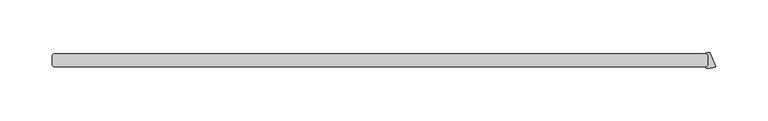
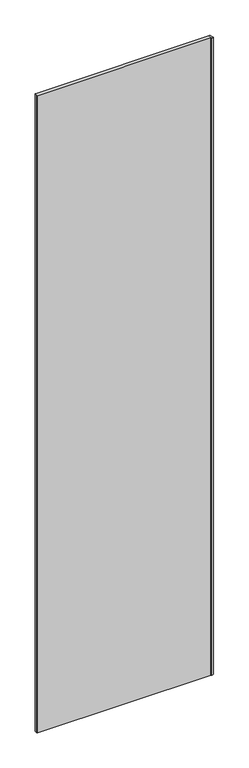
"""IFC4 building model written with IfcOpenShell, lengths in millimetres: plate geometry."""

from ifc_helpers import new_model, si_unit, point, frame_2d, origin, origin_with_axes, place, context, project, spatial, polyline, circle_curve, trimmed, segment, composite_curve, outline, extrude, source, transform, mapped, element, save


def plate_345f487e(model_context):
    return source(origin(), model_context, "Body", "SweptSolid", [
        extrude(outline(composite_curve([segment(polyline([(312.340625, 4.7625), (310.6341581, 6.4689669)]), True, "CONTINUOUS"), segment(trimmed(circle_curve(frame_2d((310.9147911, 6.7496)), 0.396875), [point((310.6341581, 6.4689669))], [point((310.9067113, 7.1463927))], False, "CARTESIAN"), True, "CONTINUOUS"), segment(trimmed(circle_curve(frame_2d((310.7393901, 15.363415)), 8.2187257), [point((310.9067113, 7.1463927))], [point((313.8845603, 7.7703026))], True, "CARTESIAN"), True, "CONTINUOUS"), segment(polyline([(313.8845603, 7.7703026), (319.731519, -6.3455045)]), True, "CONTINUOUS"), segment(trimmed(circle_curve(frame_2d((312.9692784, 9.9799885)), 17.6705863), [point((319.731519, -6.3455045))], [point((310.4862831, -7.5152781))], False, "CARTESIAN"), True, "CONTINUOUS"), segment(trimmed(circle_curve(frame_2d((310.5420503, -7.1223407)), 0.396875), [point((310.4862831, -7.5152781))], [point((310.2614173, -6.8417077))], False, "CARTESIAN"), True, "CONTINUOUS"), segment(polyline([(310.2614173, -6.8417077), (312.340625, -4.7625), (312.340625, 4.7625)]), True, "CONTINUOUS")], self_intersect=False)), origin_with_axes(), (0.0, 0.0, 1.0), 2427.1914267),
        extrude(outline(polyline([(310.753125, -6.35), (-315.515625, -6.35), (-317.103125, -4.7625), (-317.103125, 4.7625), (-315.515625, 6.35), (310.753125, 6.35), (312.340625, 4.7625), (312.340625, -4.7625), (310.753125, -6.35)])), origin_with_axes(), (0.0, 0.0, 1.0), 2427.1914267),
    ])


if __name__ == "__main__":
    model = new_model("IFC4")
    model_context = context("Model", 3, world=origin())
    ifc_project = project(units=[si_unit("LENGTHUNIT", "METRE", prefix="MILLI")], contexts=[model_context])
    site = spatial("IfcSite", under=ifc_project)
    building = spatial("IfcBuilding", under=site)
    placement = place(None, origin())
    plate_shape = plate_345f487e(model_context)
    element("IfcPlate", 1, at=placement, inside=building, context=model_context, shape_type="MappedRepresentation", body=[
        mapped(plate_shape, transform((0.0, 0.0, 0.0), x_axis=(1.0, 0.0, 0.0), y_axis=(0.0, 1.0, 0.0), z_axis=(0.0, 0.0, 1.0))),
    ])
    save(model, "model.ifc")
